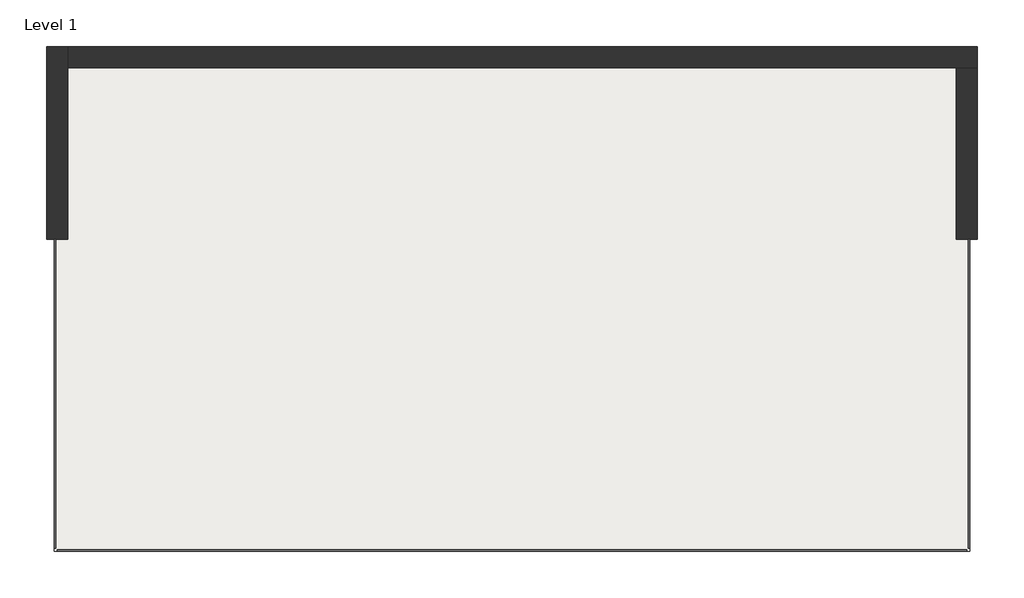
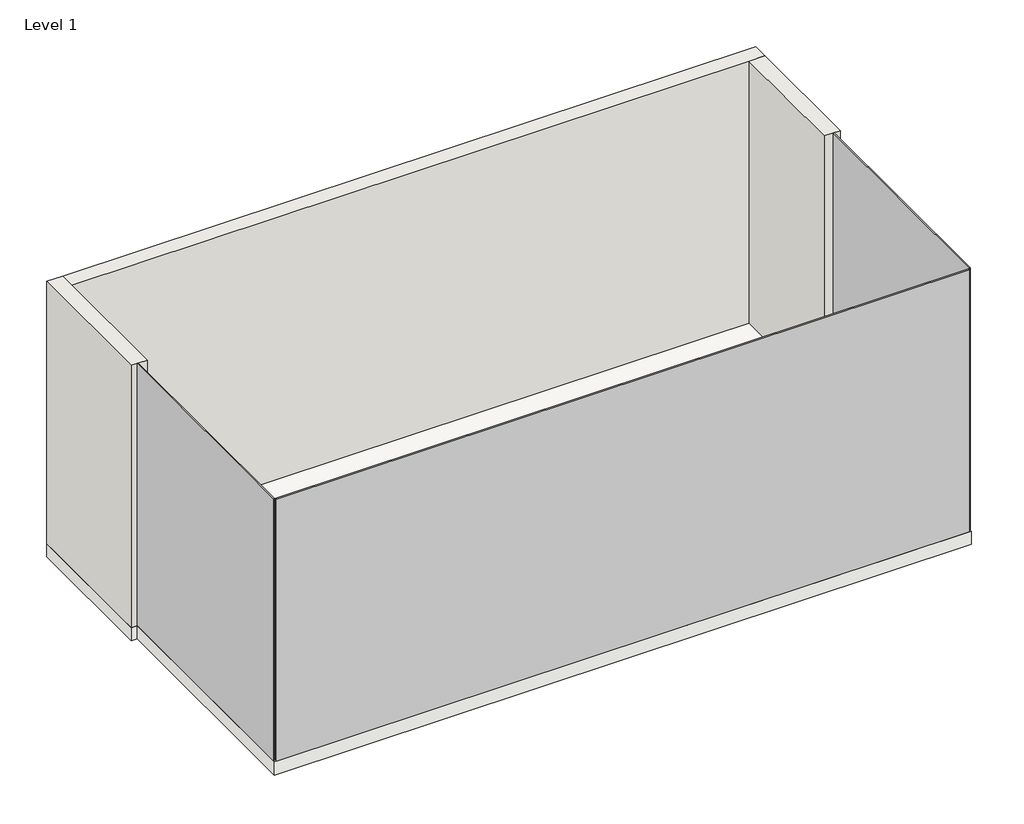
# One storey: 3 plates, 3 walls, 1 slab.
"""IFC4 building model written with IfcOpenShell, lengths in millimetres."""

import ifcopenshell
import ifcopenshell.guid

model = None  # the IFC model being written
_history = None  # IfcOwnerHistory: only IFC2X3 demands one
_inside = {}  # id of a spatial element -> (the spatial element, [elements in it])
_under = {}  # id of a project, library or spatial element -> (it, [spatial elements below it])
_declared = {}  # id of a project -> (the project, [libraries it declares])
_typed = {}  # id of a type object -> (the type object, [elements of that type])
_made_of = {}  # id of a material, layer set ... -> (it, [elements and type objects made of it])


def new_model(schema):
    """Start an empty IFC model of exactly this schema.

    Asked for "IFC4X3", IfcOpenShell would pick the latest addendum, in which some entities
    have other attributes; the version numbers below select the first issue.
    IFC2X3 requires an IfcOwnerHistory on every rooted entity: one is made here for all.
    """
    global model, _history
    if schema == "IFC4X3":
        model = ifcopenshell.file(schema_version=(4, 3, 0, 0))
    else:
        model = ifcopenshell.file(schema=schema)
    _inside.clear()
    _under.clear()
    _declared.clear()
    _typed.clear()
    _made_of.clear()
    _history = None
    if model.schema == "IFC2X3":
        org = make("IfcOrganization", Name="unknown")
        user = make(
            "IfcPersonAndOrganization",
            ThePerson=make("IfcPerson", FamilyName="unknown"),
            TheOrganization=org,
        )
        app = make(
            "IfcApplication",
            ApplicationDeveloper=org,
            Version="unknown",
            ApplicationFullName="unknown",
            ApplicationIdentifier="unknown",
        )
        _history = make(
            "IfcOwnerHistory",
            OwningUser=user,
            OwningApplication=app,
            ChangeAction="ADDED",
            CreationDate=0,
        )
    return model


def make(cls, **values):
    """One entity of the class cls with the attributes given. An attribute that is None is left unset."""
    return model.create_entity(
        cls, **{name: value for name, value in values.items() if value is not None}
    )


def rooted(cls, **values):
    """An entity with a GlobalId (a new one), such as an element, a storey or a relation."""
    return make(cls, GlobalId=ifcopenshell.guid.new(), OwnerHistory=_history, **values)


def si_unit(unit_type, name, prefix=None):
    """IfcSIUnit, for example si_unit("LENGTHUNIT", "METRE", prefix="MILLI")."""
    return make("IfcSIUnit", UnitType=unit_type, Prefix=prefix, Name=name)


def assignment(units):
    """IfcUnitAssignment: the units of a project."""
    return None if units is None else make("IfcUnitAssignment", Units=units)


def point(xyz):
    """IfcCartesianPoint."""
    return None if xyz is None else make("IfcCartesianPoint", Coordinates=xyz)


def direction(xyz):
    """IfcDirection."""
    return None if xyz is None else make("IfcDirection", DirectionRatios=xyz)


def frame(location, z_axis=None, x_axis=None):
    """IfcAxis2Placement3D, a coordinate frame: its origin and axes. An axis left out is left unset."""
    return make(
        "IfcAxis2Placement3D",
        Location=point(location),
        Axis=direction(z_axis),
        RefDirection=direction(x_axis),
    )


def origin():
    """The frame at (0, 0, 0) with its axes left unset."""
    return frame((0.0, 0.0, 0.0))


def origin_with_axes():
    """The frame at (0, 0, 0) with the z axis (0, 0, 1) and the x axis (1, 0, 0) written out."""
    return frame((0.0, 0.0, 0.0), z_axis=(0.0, 0.0, 1.0), x_axis=(1.0, 0.0, 0.0))


def place(relative_to, where):
    """IfcLocalPlacement: puts the frame where relative to a parent placement (None: the world)."""
    return make(
        "IfcLocalPlacement", PlacementRelTo=relative_to, RelativePlacement=where
    )


def context(
    kind, dimensions, precision=None, world=None, true_north=None, identifier=None
):
    """IfcGeometricRepresentationContext, for example the 3D "Model" context."""
    return make(
        "IfcGeometricRepresentationContext",
        ContextIdentifier=identifier,
        ContextType=kind,
        CoordinateSpaceDimension=dimensions,
        Precision=precision,
        WorldCoordinateSystem=world,
        TrueNorth=true_north,
    )


def project(units=None, contexts=None):
    """IfcProject with its units and contexts."""
    return rooted(
        "IfcProject",
        Name="project",
        RepresentationContexts=contexts,
        UnitsInContext=assignment(units),
    )


def spatial(cls, under=None, at=None, **own):
    """A site, building, storey or space (cls), placed at a placement, below another one or the project."""
    s = rooted(cls, ObjectPlacement=at, **own)
    if under is not None:
        _under.setdefault(under.id(), (under, []))[1].append(s)
    return s


def polyline(points):
    """IfcPolyline through the points."""
    return make("IfcPolyline", Points=[point(p) for p in points])


def outline(outer, holes=None, kind="AREA"):
    """IfcArbitraryClosedProfileDef: a profile drawn as a closed curve; with holes, ...WithVoids."""
    if holes is None:
        return make("IfcArbitraryClosedProfileDef", ProfileType=kind, OuterCurve=outer)
    return make(
        "IfcArbitraryProfileDefWithVoids",
        ProfileType=kind,
        OuterCurve=outer,
        InnerCurves=holes,
    )


def extrude(swept, where, along, depth):
    """IfcExtrudedAreaSolid: the profile swept, set in the frame where, extruded along a direction by depth."""
    return make(
        "IfcExtrudedAreaSolid",
        SweptArea=swept,
        Position=where,
        ExtrudedDirection=direction(along),
        Depth=depth,
    )


def faces_of(points, faces, orient=None, outer=None):
    """IfcFace entities. A face is a list of loops; a loop is a list of indices into points, from 0.

    orient and outer hold one flag for each loop. By default every Orientation is true, the
    first loop of a face is its IfcFaceOuterBound and the others are IfcFaceBound.
    """
    made = []
    for i, loops in enumerate(faces):
        bounds = []
        for j, loop in enumerate(loops):
            is_outer = j == 0 if outer is None else outer[i][j]
            bounds.append(
                make(
                    "IfcFaceOuterBound" if is_outer else "IfcFaceBound",
                    Bound=make("IfcPolyLoop", Polygon=[points[k] for k in loop]),
                    Orientation=True if orient is None else orient[i][j],
                )
            )
        made.append(make("IfcFace", Bounds=bounds))
    return made


def faceted_brep(points, faces, orient=None, outer=None, voids=None):
    """IfcFacetedBrep: a solid bounded by flat faces; with voids (closed shells), ...WithVoids."""
    shared = [point(p) for p in points]
    hull = make("IfcClosedShell", CfsFaces=faces_of(shared, faces, orient, outer))
    if voids is None:
        return make("IfcFacetedBrep", Outer=hull)
    return make(
        "IfcFacetedBrepWithVoids",
        Outer=hull,
        Voids=[
            make(cls, CfsFaces=faces_of(shared, fs, o, b)) for cls, fs, o, b in voids
        ],
    )


def shape(context_of_items, identifier, shape_type, items):
    """IfcShapeRepresentation: the items that make up one representation, for example the "Body"."""
    return make(
        "IfcShapeRepresentation",
        ContextOfItems=context_of_items,
        RepresentationIdentifier=identifier,
        RepresentationType=shape_type,
        Items=items,
    )


def source(mapping_origin, context_of_items, identifier, shape_type, items):
    """IfcRepresentationMap: a shape defined once, which mapped items show again and again."""
    return make(
        "IfcRepresentationMap",
        MappingOrigin=mapping_origin,
        MappedRepresentation=shape(context_of_items, identifier, shape_type, items),
    )


def transform(
    local_origin,
    x_axis=None,
    y_axis=None,
    z_axis=None,
    scale=None,
    scale2=None,
    scale3=None,
    uniform=True,
):
    """IfcCartesianTransformationOperator3D, or its non-uniform kind. x_axis, y_axis, z_axis: its Axis1, 2, 3."""
    if uniform:
        return make(
            "IfcCartesianTransformationOperator3D",
            Axis1=direction(x_axis),
            Axis2=direction(y_axis),
            LocalOrigin=point(local_origin),
            Scale=scale,
            Axis3=direction(z_axis),
        )
    return make(
        "IfcCartesianTransformationOperator3DnonUniform",
        Axis1=direction(x_axis),
        Axis2=direction(y_axis),
        LocalOrigin=point(local_origin),
        Scale=scale,
        Axis3=direction(z_axis),
        Scale2=scale2,
        Scale3=scale3,
    )


def mapped(mapping_source, mapping_target):
    """IfcMappedItem: shows the shape of a source again, moved by a transform."""
    return make(
        "IfcMappedItem", MappingSource=mapping_source, MappingTarget=mapping_target
    )


def made_of(thing, what):
    """Note that an element or type object is made of a material, layer set ...; save() writes the relation."""
    if what is not None:
        _made_of.setdefault(what.id(), (what, []))[1].append(thing)
    return thing


def element(
    cls,
    number,
    at=None,
    inside=None,
    cuts=None,
    type_object=None,
    material=None,
    context=None,
    identifier="Body",
    shape_type=None,
    held_by="IfcProductDefinitionShape",
    body=None,
    shapes=None,
    **own,
):
    """One element of the class cls, such as IfcWall. Its Tag is "e" and its number.

    at: its placement. inside: the storey or other place that contains it. cuts: it is an
    opening in that element (IfcRelVoidsElement). A single representation is given by context,
    identifier, shape_type and body (its items); several are given by shapes. held_by: the class
    of the entity that holds the representations. save() writes the other relations.
    """
    e = rooted(cls, Tag="e%d" % number, ObjectPlacement=at, **own)
    if body is not None:
        shapes = [shape(context, identifier, shape_type, body)]
    if shapes is not None:
        e.Representation = make(held_by, Representations=shapes)
    if inside is not None:
        _inside.setdefault(inside.id(), (inside, []))[1].append(e)
    if cuts is not None:
        rooted(
            "IfcRelVoidsElement", RelatingBuildingElement=cuts, RelatedOpeningElement=e
        )
    if type_object is not None:
        _typed.setdefault(type_object.id(), (type_object, []))[1].append(e)
    return made_of(e, material)


def aggregate(whole, parts):
    """IfcRelAggregates: a whole, such as a stair, and the parts it consists of."""
    return rooted("IfcRelAggregates", RelatingObject=whole, RelatedObjects=parts)


def save(model, path):
    """Write the relations noted so far, then the file.

    IfcRelAggregates (storeys below a building ...), IfcRelContainedInSpatialStructure (elements
    in a storey), IfcRelDefinesByType, IfcRelAssociatesMaterial and IfcRelDeclares: one each for
    every whole, place, type object, material and project.
    """
    for whole, parts in _under.values():
        aggregate(whole, parts)
    for where, things in _inside.values():
        rooted(
            "IfcRelContainedInSpatialStructure",
            RelatedElements=things,
            RelatingStructure=where,
        )
    for kind, things in _typed.values():
        rooted("IfcRelDefinesByType", RelatedObjects=things, RelatingType=kind)
    for what, things in _made_of.values():
        rooted("IfcRelAssociatesMaterial", RelatedObjects=things, RelatingMaterial=what)
    for by, libraries in _declared.values():
        rooted("IfcRelDeclares", RelatingContext=by, RelatedDefinitions=libraries)
    model.write(path)


def system_panel_glazed_1f499c63(model_context):
    return source(origin(), model_context, "Body", "SweptSolid", [
        extrude(outline(polyline([(7620.0, 19.05), (-7620.0, 19.05), (-7620.0, 44.45), (7620.0, 44.45), (7620.0, 19.05)])), origin_with_axes(), (0.0, 0.0, 1.0), 6096.0),
    ])


def system_panel_glazed_5abaf0a5(model_context):
    return source(origin(), model_context, "Body", "SweptSolid", [
        extrude(outline(polyline([(2590.8, 19.05), (-2590.8, 19.05), (-2590.8, 44.45), (2590.8, 44.45), (2590.8, 19.05)])), origin_with_axes(), (0.0, 0.0, 1.0), 6096.0),
    ])


model = new_model("IFC4")

# Units and contexts
model_context = context("Model", 3, world=origin())
ifc_project = project(units=[si_unit("LENGTHUNIT", "METRE", prefix="MILLI")], contexts=[model_context])

# Site, building, storey
site = spatial("IfcSite", under=ifc_project)
building = spatial("IfcBuilding", under=site)
storey = spatial("IfcBuildingStorey", under=building, Name="Level 1", Elevation=0.0)

# Plates
placement = place(None, origin())
system_panel_glazed_shape = system_panel_glazed_1f499c63(model_context)
element("IfcPlate", 1, ObjectType="System Panel : Glazed", at=placement, inside=storey, context=model_context, shape_type="MappedRepresentation", body=[
    mapped(system_panel_glazed_shape, transform((-1512.3285326, 2870.1324955, 0.0), x_axis=(-1.0, 0.0, 0.0), y_axis=(0.0, -1.0, 0.0), z_axis=(0.0, 0.0, 1.0))),
])
system_panel_glazed_2_shape = system_panel_glazed_5abaf0a5(model_context)
element("IfcPlate", 2, ObjectType="System Panel : Glazed", at=placement, inside=storey, context=model_context, shape_type="MappedRepresentation", body=[
    mapped(system_panel_glazed_2_shape, transform((-9132.3285326, 5460.9324955, 0.0), x_axis=(0.0, 1.0, 0.0), y_axis=(-1.0, 0.0, 0.0), z_axis=(0.0, 0.0, 1.0))),
])
element("IfcPlate", 3, ObjectType="System Panel : Glazed", at=placement, inside=storey, context=model_context, shape_type="MappedRepresentation", body=[
    mapped(system_panel_glazed_2_shape, transform((6107.6714674, 5460.9324955, 0.0), x_axis=(0.0, -1.0, 0.0), y_axis=(1.0, 0.0, 0.0), z_axis=(0.0, 0.0, 1.0))),
])

# Slab
element("IfcSlab", 4, ObjectType="Generic - 12\"", at=placement, inside=storey, context=model_context, shape_type="SweptSolid", body=[
    extrude(outline(polyline([(6283.8839674, 11275.9449955), (6283.8839674, 8051.7324955), (6152.1214674, 8051.7324955), (6152.1214674, 2825.6824955), (-9176.7785326, 2825.6824955), (-9176.7785326, 8051.7324955), (-9308.5410326, 8051.7324955), (-9308.5410326, 11275.9449955), (6283.8839674, 11275.9449955)])), frame((0.0, 0.0, -304.8), z_axis=(0.0, 0.0, 1.0), x_axis=(1.0, 0.0, 0.0)), (0.0, 0.0, 1.0), 304.8),
])

# Walls
element("IfcWall", 5, ObjectType="Exterior - Brick on Mtl. Stud", at=placement, inside=storey, context=model_context, shape_type="Brep", body=[
    faceted_brep([(-9308.5410326, 11275.9449955, 0.0), (-9308.5410326, 8051.7324955, 0.0), (-9308.5410326, 8051.7324955, 6096.0), (-9308.5410326, 11275.9449955, 6096.0), (-8956.1160326, 11275.9449955, 0.0), (-8956.1160326, 11275.9449955, 6096.0), (-8956.1160326, 10923.5199955, 6096.0), (-8956.1160326, 8051.7324955, 6096.0), (-8956.1160326, 8051.7324955, 0.0), (-8956.1160326, 10923.5199955, 0.0)], [[[0, 1, 2, 3]], [[4, 5, 6, 7, 8, 9]], [[1, 0, 4, 9, 8]], [[2, 1, 8, 7]], [[3, 2, 7, 6, 5]], [[0, 3, 5, 4]]]),
])
element("IfcWall", 6, ObjectType="Exterior - Brick on Mtl. Stud", at=placement, inside=storey, context=model_context, shape_type="Brep", body=[
    faceted_brep([(6283.8839674, 11275.9449955, 0.0), (-8956.1160326, 11275.9449955, 0.0), (-8956.1160326, 11275.9449955, 6096.0), (6283.8839674, 11275.9449955, 6096.0), (6283.8839674, 10923.5199955, 0.0), (6283.8839674, 10923.5199955, 6096.0), (5931.4589674, 10923.5199955, 6096.0), (-8956.1160326, 10923.5199955, 6096.0), (-8956.1160326, 10923.5199955, 0.0), (5931.4589674, 10923.5199955, 0.0)], [[[0, 1, 2, 3]], [[4, 5, 6, 7, 8, 9]], [[1, 0, 4, 9, 8]], [[3, 2, 7, 6, 5]], [[2, 1, 8, 7]], [[0, 3, 5, 4]]]),
])
element("IfcWall", 7, ObjectType="Exterior - Brick on Mtl. Stud", at=placement, inside=storey, context=model_context, shape_type="SweptSolid", body=[
    extrude(outline(polyline([(6283.8839674, 10923.5199955), (6283.8839674, 8051.7324955), (5931.4589674, 8051.7324955), (5931.4589674, 10923.5199955), (6283.8839674, 10923.5199955)])), origin_with_axes(), (0.0, 0.0, 1.0), 6096.0),
])

save(model, "model.ifc")
